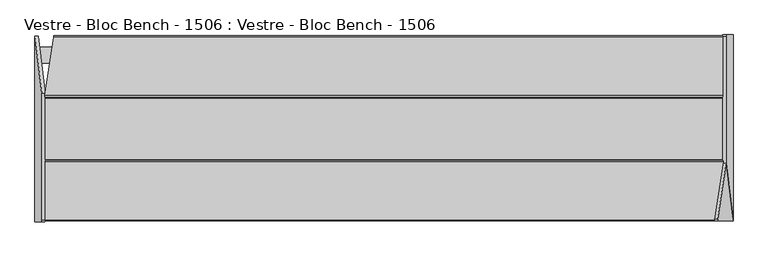
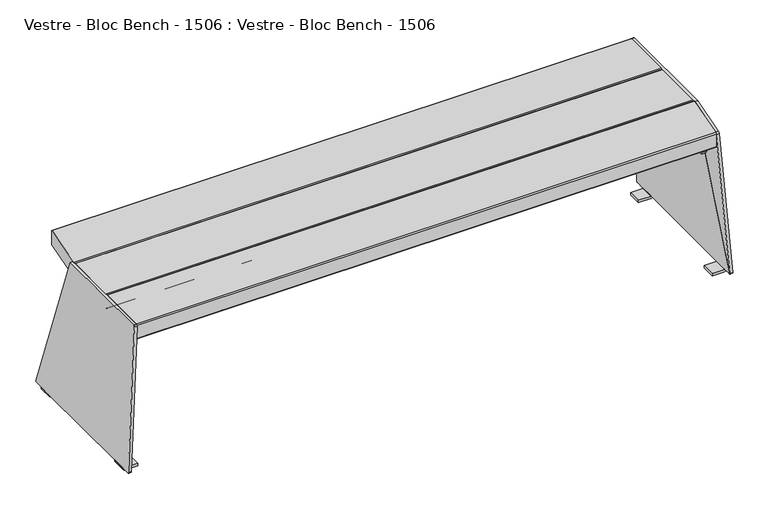
"""IFC4 building model written with IfcOpenShell, lengths in millimetres: furniture geometry, Vestre - Bloc Bench - 1506 : Vestre - Bloc Bench - 1506."""

from ifc_helpers import new_model, si_unit, point, frame, frame_2d, origin, place, context, project, spatial, polyline, circle_curve, ellipse_curve, trimmed, segment, composite_curve, outline, extrude, source, transform, mapped, element, save
from ifc_brep_helpers import plane_surface, cylinder_surface, revolved_surface, advanced_brep


def vestre_bloc_bench_1506_vestre_bloc_bench_1506_0468d53b(model_context):
    return source(origin(), model_context, "Body", "SolidModel", [
        advanced_brep(
        [(-853.4300581, -80.7081953, 454.9270585), (-853.4300581, -80.7081953, 416.2659543), (-853.4300581, -83.7350939, 413.2390557), (-853.4300581, -230.4780573, 413.2390557), (-853.4300581, -233.5, 416.2609984), (-853.4300581, -233.5, 454.9270585), (-853.4300581, -230.5, 457.9270585), (-853.4300581, -83.7081953, 457.9270585), (853.8291619, -83.7081953, 457.9270585), (854.2775149, -80.7081953, 454.9270585), (831.8909797, -230.5, 457.9270585), (831.4426267, -233.5, 454.9270585), (831.4426267, -233.5, 416.2609984), (831.894259, -230.4780573, 413.2390557), (853.8251419, -83.7350939, 413.2390557), (854.2775149, -80.7081953, 416.2659543)],
        [
            (0, 1),
            (1, 2, circle_curve(frame((-853.4300581, -83.7350939, 416.2659543), z_axis=(-1.0, 0.0, 0.0), x_axis=(0.0, -1.0, 0.0)), 3.0268986)),
            (2, 3),
            (3, 4, circle_curve(frame((-853.4300581, -230.4780573, 416.2609984), z_axis=(-1.0, 0.0, 0.0), x_axis=(0.0, -1.0, 0.0)), 3.0219427)),
            (4, 5),
            (5, 6, circle_curve(frame((-853.4300581, -230.5, 454.9270585), z_axis=(-1.0, 0.0, 0.0), x_axis=(0.0, -1.0, 0.0)), 3.0)),
            (6, 7),
            (7, 0, circle_curve(frame((-853.4300581, -83.7081953, 454.9270585), z_axis=(-1.0, 0.0, 0.0), x_axis=(0.0, -1.0, 0.0)), 3.0)),
            (7, 8),
            (8, 9, ellipse_curve(frame((853.8291619, -83.7081953, 454.9270585), z_axis=(-0.9890158633619175, 0.14780941112960652, 0.0), x_axis=(0.14780941112960624, 0.9890158633619175, 0.0)), 3.0333184, 3.0)),
            (9, 0),
            (6, 10),
            (10, 8),
            (5, 11),
            (11, 10, ellipse_curve(frame((831.8909797, -230.5, 454.9270585), z_axis=(-0.9890158633619175, 0.14780941112960652, 0.0), x_axis=(0.14780941112960624, 0.9890158633619175, 0.0)), 3.0333184, 3.0)),
            (4, 12),
            (12, 11),
            (3, 13),
            (13, 12, ellipse_curve(frame((831.894259, -230.4780573, 416.2609984), z_axis=(-0.9890158633619175, 0.14780941112960652, 0.0), x_axis=(0.14780941112960624, 0.9890158633619175, 0.0)), 3.0555048, 3.0219427)),
            (2, 14),
            (14, 13),
            (1, 15),
            (15, 14, ellipse_curve(frame((853.8251419, -83.7350939, 416.2659543), z_axis=(-0.9890158633619175, 0.14780941112960652, 0.0), x_axis=(0.14780941112960624, 0.9890158633619175, 0.0)), 3.0605157, 3.0268986)),
            (9, 15),
        ],
        [
            plane_surface(frame((-853.4300581, -86.7081953, 454.9270585), z_axis=(-1.0, 0.0, 0.0), x_axis=(0.0, 0.0, 1.0))),
            cylinder_surface(frame((-853.4300581, -83.7081953, 454.9270585), z_axis=(1.0, 0.0, 0.0), x_axis=(0.0, -1.0, 0.0)), 3.0),
            plane_surface(frame((878.9375895, -83.7081953, 457.9270585), z_axis=(0.0, 0.0, 1.0), x_axis=(-1.0, 0.0, 0.0))),
            cylinder_surface(frame((-853.4300581, -230.5, 454.9270585), z_axis=(1.0, 0.0, 0.0), x_axis=(0.0, -1.0, 0.0)), 3.0),
            plane_surface(frame((878.9375895, -233.5, 454.9270585), z_axis=(0.0, -1.0, 0.0), x_axis=(-1.0, 0.0, 0.0))),
            cylinder_surface(frame((-853.4300581, -230.4780573, 416.2609984), z_axis=(1.0, 0.0, 0.0), x_axis=(0.0, -1.0, 0.0)), 3.0219427),
            plane_surface(frame((878.9375895, -230.4780573, 413.2390557), z_axis=(0.0, 0.0, -1.0), x_axis=(-1.0, 0.0, 0.0))),
            cylinder_surface(frame((-853.4300581, -83.7350939, 416.2659543), z_axis=(1.0, 0.0, 0.0), x_axis=(0.0, -1.0, 0.0)), 3.0268986),
            plane_surface(frame((878.9375895, -80.7081953, 416.2659543), z_axis=(0.0, 1.0, 0.0), x_axis=(-1.0, 0.0, 0.0))),
            plane_surface(frame((855.8994453, -69.8556054, 514.4914175), z_axis=(0.9890158633619175, -0.14780941112960652, 0.0), x_axis=(0.0, 0.0, -1.0))),
        ],
        [
            (0, [[1, 2, 3, 4, 5, 6, 7, 8]]),
            (1, [[-8, 9, 10, 11]]),
            (2, [[-7, 12, 13, -9]]),
            (3, [[-6, 14, 15, -12]]),
            (4, [[-5, 16, 17, -14]]),
            (5, [[-4, 18, 19, -16]]),
            (6, [[-3, 20, 21, -18]]),
            (7, [[-2, 22, 23, -20]]),
            (8, [[-1, -11, 24, -22]]),
            (9, [[-10, -13, -15, -17, -19, -21, -23, -24]]),
        ],
    ),
        advanced_brep(
        [(853.4300581, 79.2297192, 455.2390557), (853.4300581, 79.2297192, 416.2659543), (853.4300581, 82.2566178, 413.2390557), (853.4300581, 230.4780573, 413.2390557), (853.4300581, 233.5, 416.2609984), (853.4300581, 233.5, 455.2390557), (853.4300581, 230.5, 458.2390557), (853.4300581, 82.2297192, 458.2390557), (-854.1569185, 82.2297192, 458.2390557), (-854.6052715, 79.2297192, 455.2390557), (-831.9977765, 230.5, 458.2390557), (-831.5494235, 233.5, 455.2390557), (-831.5494235, 233.5, 416.2609984), (-832.0010559, 230.4780573, 413.2390557), (-854.1528984, 82.2566178, 413.2390557), (-854.6052715, 79.2297192, 416.2659543)],
        [
            (0, 1),
            (1, 2, circle_curve(frame((853.4300581, 82.2566178, 416.2659543), z_axis=(1.0, 0.0, 0.0), x_axis=(0.0, 1.0, 0.0)), 3.0268986)),
            (2, 3),
            (3, 4, circle_curve(frame((853.4300581, 230.4780573, 416.2609984), z_axis=(1.0, 0.0, 0.0), x_axis=(0.0, 1.0, 0.0)), 3.0219427)),
            (4, 5),
            (5, 6, circle_curve(frame((853.4300581, 230.5, 455.2390557), z_axis=(1.0, 0.0, 0.0), x_axis=(0.0, 1.0, 0.0)), 3.0)),
            (6, 7),
            (7, 0, circle_curve(frame((853.4300581, 82.2297192, 455.2390557), z_axis=(1.0, 0.0, 0.0), x_axis=(0.0, 1.0, 0.0)), 3.0)),
            (7, 8),
            (8, 9, ellipse_curve(frame((-854.1569185, 82.2297192, 455.2390557), z_axis=(0.9890158633619175, -0.14780941112960624, 0.0), x_axis=(0.1478094111296065, 0.9890158633619175, 0.0)), 3.0333184, 3.0)),
            (9, 0),
            (6, 10),
            (10, 8),
            (5, 11),
            (11, 10, ellipse_curve(frame((-831.9977765, 230.5, 455.2390557), z_axis=(0.9890158633619175, -0.14780941112960624, 0.0), x_axis=(0.1478094111296065, 0.9890158633619175, 0.0)), 3.0333184, 3.0)),
            (4, 12),
            (12, 11),
            (3, 13),
            (13, 12, ellipse_curve(frame((-832.0010559, 230.4780573, 416.2609984), z_axis=(0.9890158633619175, -0.14780941112960624, 0.0), x_axis=(0.1478094111296065, 0.9890158633619175, 0.0)), 3.0555048, 3.0219427)),
            (2, 14),
            (14, 13),
            (1, 15),
            (15, 14, ellipse_curve(frame((-854.1528984, 82.2566178, 416.2659543), z_axis=(0.9890158633619175, -0.14780941112960624, 0.0), x_axis=(0.1478094111296065, 0.9890158633619175, 0.0)), 3.0605157, 3.0268986)),
            (9, 15),
        ],
        [
            plane_surface(frame((853.4300581, 79.2297192, 416.2390557), z_axis=(1.0, 0.0, 0.0), x_axis=(0.0, 0.0, -1.0))),
            cylinder_surface(frame((-878.9375895, 82.2297192, 455.2390557), z_axis=(1.0, 0.0, 0.0), x_axis=(0.0, 1.0, 0.0)), 3.0),
            plane_surface(frame((853.4300581, 230.5, 458.2390557), z_axis=(0.0, 0.0, 1.0), x_axis=(-1.0, 0.0, 0.0))),
            cylinder_surface(frame((-878.9375895, 230.5, 455.2390557), z_axis=(1.0, 0.0, 0.0), x_axis=(0.0, 1.0, 0.0)), 3.0),
            plane_surface(frame((853.4300581, 233.5, 416.2609984), z_axis=(0.0, 1.0, 0.0), x_axis=(-1.0, 0.0, 0.0))),
            cylinder_surface(frame((-878.9375895, 230.4780573, 416.2609984), z_axis=(1.0, 0.0, 0.0), x_axis=(0.0, 1.0, 0.0)), 3.0219427),
            plane_surface(frame((853.4300581, 82.2566178, 413.2390557), z_axis=(0.0, 0.0, -1.0), x_axis=(-1.0, 0.0, 0.0))),
            cylinder_surface(frame((-878.9375895, 82.2566178, 416.2659543), z_axis=(1.0, 0.0, 0.0), x_axis=(0.0, 1.0, 0.0)), 3.0268986),
            plane_surface(frame((853.4300581, 79.2297192, 455.2390557), z_axis=(0.0, -1.0, 0.0), x_axis=(-1.0, 0.0, 0.0))),
            plane_surface(frame((-855.1332712, 75.6967907, 514.4914175), z_axis=(-0.9890158633619175, 0.14780941112960624, 0.0), x_axis=(0.0, 0.0, -1.0))),
        ],
        [
            (0, [[1, 2, 3, 4, 5, 6, 7, 8]]),
            (1, [[-8, 9, 10, 11]]),
            (2, [[-7, 12, 13, -9]]),
            (3, [[-6, 14, 15, -12]]),
            (4, [[-5, 16, 17, -14]]),
            (5, [[-4, 18, 19, -16]]),
            (6, [[-3, 20, 21, -18]]),
            (7, [[-2, 22, 23, -20]]),
            (8, [[-1, -11, 24, -22]]),
            (9, [[-10, -13, -15, -17, -19, -21, -23, -24]]),
        ],
    ),
        advanced_brep(
        [(878.9375895, -232.029755, 9.5095868), (861.4239718, -86.7606719, 458.2390557), (853.4300581, -86.7606719, 457.9270585), (870.9436757, -232.029755, 9.1975895), (870.9436757, -205.3189256, 9.1975895), (878.9375895, -205.3189256, 9.5095868), (870.9436757, 232.029755, 9.1975895), (878.9375895, 232.029755, 9.5095868), (878.9375895, 205.3189256, 9.5095868), (870.9436757, 205.3189256, 9.1975895), (878.9375895, 165.3189256, 9.5095868), (878.9375895, -165.3189256, 9.5095868), (870.9436757, -165.3189256, 9.1975895), (870.9436757, 165.3189256, 9.1975895), (878.7815909, 236.029755, 13.5065437), (870.7876771, 236.029755, 13.1945464), (861.5799705, 236.029755, 454.2420988), (853.5860567, 236.029755, 453.9301016), (861.4239718, 232.029755, 458.2390557), (853.4300581, 232.029755, 457.9270585), (878.9375895, 205.3189256, 7.9956698), (870.9419197, 205.3189256, 0.0), (835.275104, 205.3189256, 0.0), (835.275104, 205.3189256, 7.6306711), (870.2217118, 205.3189256, 7.6306711), (870.9436757, 205.3189256, 8.3526351), (870.9436757, 165.3189256, 8.3526351), (870.2217118, 165.3189256, 7.6306711), (835.275104, 165.3189256, 7.6306711), (835.275104, 165.3189256, 0.0), (870.9419197, 165.3189256, 0.0), (878.9375895, 165.3189256, 7.9956698), (870.9436757, -205.3189256, 8.3526351), (870.2217118, -205.3189256, 7.6306711), (835.275104, -205.3189256, 7.6306711), (835.275104, -205.3189256, 0.0), (870.9419197, -205.3189256, 0.0), (878.9375895, -205.3189256, 7.9956698), (878.9375895, -165.3189256, 7.9956698), (870.9419197, -165.3189256, 0.0), (835.275104, -165.3189256, 0.0), (835.275104, -165.3189256, 7.6306711), (870.2217118, -165.3189256, 7.6306711), (870.9436757, -165.3189256, 8.3526351)],
        [
            (0, 1),
            (1, 2),
            (2, 3),
            (3, 0),
            (3, 4),
            (4, 5),
            (5, 0),
            (6, 7),
            (7, 8),
            (8, 9),
            (9, 6),
            (10, 11),
            (11, 12),
            (12, 13),
            (13, 10),
            (14, 7, circle_curve(frame((878.7815909, 232.029755, 13.5065437), z_axis=(-0.9992392241287592, 0.0, -0.038999653364553986), x_axis=(-0.038999653364553986, 0.0, 0.9992392241287592)), 4.0)),
            (6, 15, circle_curve(frame((870.7876771, 232.029755, 13.1945464), z_axis=(0.9992392241287592, 0.0, 0.038999653364553986), x_axis=(-0.038999653364553986, 0.0, 0.9992392241287592)), 4.0)),
            (15, 14),
            (16, 14),
            (15, 17),
            (17, 16),
            (18, 16, circle_curve(frame((861.5799705, 232.029755, 454.2420988), z_axis=(-0.9992392241287592, 0.0, -0.038999653364553986), x_axis=(-0.038999653364553986, 0.0, 0.9992392241287592)), 4.0)),
            (17, 19, circle_curve(frame((853.5860567, 232.029755, 453.9301016), z_axis=(0.9992392241287592, 0.0, 0.038999653364553986), x_axis=(-0.038999653364553986, 0.0, 0.9992392241287592)), 4.0)),
            (19, 18),
            (1, 18),
            (19, 2),
            (8, 20),
            (20, 21, circle_curve(frame((870.9419197, 205.3189256, 7.9956698), z_axis=(0.0, 1.0, 0.0), x_axis=(-1.0, 0.0, 0.0)), 7.9956698)),
            (21, 22),
            (22, 23),
            (23, 24),
            (24, 25, circle_curve(frame((870.2217118, 205.3189256, 8.3526351), z_axis=(0.0, -1.0, 0.0), x_axis=(-1.0, 0.0, 0.0)), 0.721964)),
            (25, 9),
            (13, 26),
            (26, 27, circle_curve(frame((870.2217118, 165.3189256, 8.3526351), z_axis=(0.0, 1.0, 0.0), x_axis=(-1.0, 0.0, 0.0)), 0.721964)),
            (27, 28),
            (28, 29),
            (29, 30),
            (30, 31, circle_curve(frame((870.9419197, 165.3189256, 7.9956698), z_axis=(0.0, -1.0, 0.0), x_axis=(-1.0, 0.0, 0.0)), 7.9956698)),
            (31, 10),
            (8, 10),
            (31, 20),
            (21, 30),
            (29, 22),
            (28, 23),
            (27, 24),
            (25, 26),
            (13, 9),
            (12, 4),
            (5, 11),
            (4, 32),
            (32, 33, circle_curve(frame((870.2217118, -205.3189256, 8.3526351), z_axis=(0.0, 1.0, 0.0), x_axis=(-1.0, 0.0, 0.0)), 0.721964)),
            (33, 34),
            (34, 35),
            (35, 36),
            (36, 37, circle_curve(frame((870.9419197, -205.3189256, 7.9956698), z_axis=(0.0, -1.0, 0.0), x_axis=(-1.0, 0.0, 0.0)), 7.9956698)),
            (37, 5),
            (11, 38),
            (38, 39, circle_curve(frame((870.9419197, -165.3189256, 7.9956698), z_axis=(0.0, 1.0, 0.0), x_axis=(-1.0, 0.0, 0.0)), 7.9956698)),
            (39, 40),
            (40, 41),
            (41, 42),
            (42, 43, circle_curve(frame((870.2217118, -165.3189256, 8.3526351), z_axis=(0.0, -1.0, 0.0), x_axis=(-1.0, 0.0, 0.0)), 0.721964)),
            (43, 12),
            (37, 38),
            (35, 40),
            (39, 36),
            (34, 41),
            (33, 42),
            (43, 32),
        ],
        [
            plane_surface(frame((861.4239718, -86.7606719, 458.2390557), z_axis=(-0.012003490940999855, -0.9514560777774648, 0.30755039955355673), x_axis=(-0.9992392241287592, 0.0, -0.038999653364555555))),
            plane_surface(frame((878.9375895, -232.029755, 9.5095868), z_axis=(0.038999653364553966, 0.0, -0.9992392241287592), x_axis=(-0.9992392241287592, 0.0, -0.038999653364553966))),
            cylinder_surface(frame((870.7876771, 232.029755, 13.1945464), z_axis=(0.9992392241287592, 0.0, 0.038999653364553986), x_axis=(-0.038999653364553986, 0.0, 0.9992392241287592)), 4.0),
            plane_surface(frame((878.7815909, 236.029755, 13.5065437), z_axis=(0.0, 1.0, 0.0), x_axis=(-0.9992392241287592, 0.0, -0.038999653364553966))),
            cylinder_surface(frame((853.5860567, 232.029755, 453.9301016), z_axis=(0.9992392241287592, 0.0, 0.038999653364553986), x_axis=(-0.038999653364553986, 0.0, 0.9992392241287592)), 4.0),
            plane_surface(frame((861.4239718, 232.029755, 458.2390557), z_axis=(-0.038999653364555555, 0.0, 0.9992392241287592), x_axis=(-0.9992392241287592, 0.0, -0.038999653364555555))),
            plane_surface(frame((878.9375895, 205.3189256, 9.5095868), z_axis=(0.0, 1.0, 0.0), x_axis=(0.0, 0.0, -1.0))),
            plane_surface(frame((878.9375895, 165.3189256, 9.5095868), z_axis=(0.0, -1.0, 0.0), x_axis=(0.0, 0.0, 1.0))),
            plane_surface(frame((878.9375895, 205.3189256, 9.5095868), z_axis=(1.0, 0.0, 0.0), x_axis=(0.0, -1.0, 0.0))),
            plane_surface(frame((870.9419197, 205.3189256, 0.0), z_axis=(0.0, 0.0, -1.0), x_axis=(0.0, -1.0, 0.0))),
            plane_surface(frame((835.275104, 205.3189256, 0.0), z_axis=(-1.0, 0.0, 0.0), x_axis=(0.0, -1.0, 0.0))),
            plane_surface(frame((835.275104, 205.3189256, 7.6306711), z_axis=(0.0, 0.0, 1.0), x_axis=(0.0, -1.0, 0.0))),
            plane_surface(frame((870.9436757, 205.3189256, 8.3526351), z_axis=(-1.0, 0.0, 0.0), x_axis=(0.0, -1.0, 0.0))),
            plane_surface(frame((870.9436757, 205.3189256, 9.1975895), z_axis=(-0.9992392241287603, 0.0, -0.038999653364527695), x_axis=(0.0, -1.0, 0.0))),
            plane_surface(frame((878.8299943, 205.3189256, 12.2663645), z_axis=(0.999239224128761, 0.0, 0.038999653364509855), x_axis=(0.0, -1.0, 0.0))),
            cylinder_surface(frame((870.9419197, 165.3189256, 7.9956698), z_axis=(0.0, 1.0, 0.0), x_axis=(-1.0, 0.0, 0.0)), 7.9956698),
            revolved_surface(polyline([(869.4997478, 165.3189256, 8.3526351), (869.4997478, 205.3189256, 8.3526351)]), (870.2217118, 165.3189256, 8.3526351), (0.0, -1.0, 0.0)),
            plane_surface(frame((878.8178172, -205.3189256, 12.5783617), z_axis=(0.0, -1.0, 0.0), x_axis=(-0.038999653364509855, 0.0, 0.999239224128761))),
            plane_surface(frame((878.8178172, -165.3189256, 12.5783617), z_axis=(0.0, 1.0, 0.0), x_axis=(0.038999653364509855, 0.0, -0.999239224128761))),
            plane_surface(frame((878.9375895, -205.3189256, 7.9956698), z_axis=(1.0, 0.0, 0.0), x_axis=(0.0, 1.0, 0.0))),
            plane_surface(frame((835.275104, -205.3189256, 0.0), z_axis=(0.0, 0.0, -1.0), x_axis=(0.0, 1.0, 0.0))),
            plane_surface(frame((835.275104, -205.3189256, 7.6306711), z_axis=(-1.0, 0.0, 0.0), x_axis=(0.0, 1.0, 0.0))),
            plane_surface(frame((870.2217118, -205.3189256, 7.6306711), z_axis=(0.0, 0.0, 1.0), x_axis=(0.0, 1.0, 0.0))),
            plane_surface(frame((870.9436757, -205.3189256, 9.1975895), z_axis=(-1.0, 0.0, 0.0), x_axis=(0.0, 1.0, 0.0))),
            cylinder_surface(frame((870.9419197, -165.3189256, 7.9956698), z_axis=(0.0, -1.0, 0.0), x_axis=(-1.0, 0.0, 0.0)), 7.9956698),
            revolved_surface(polyline([(869.4997478, -165.3189256, 8.3526351), (869.4997478, -205.3189256, 8.3526351)]), (870.2217118, -165.3189256, 8.3526351), (0.0, 1.0, 0.0)),
        ],
        [
            (0, [[1, 2, 3, 4]]),
            (1, [[-4, 5, 6, 7]]),
            (1, [[8, 9, 10, 11]]),
            (1, [[12, 13, 14, 15]]),
            (2, [[16, -8, 17, 18]]),
            (3, [[19, -18, 20, 21]]),
            (4, [[22, -21, 23, 24]]),
            (5, [[25, -24, 26, -2]]),
            (6, [[27, 28, 29, 30, 31, 32, 33, -10]]),
            (7, [[34, 35, 36, 37, 38, 39, 40, -15]]),
            (8, [[-27, 41, -40, 42]]),
            (9, [[-29, 43, -38, 44]]),
            (10, [[-30, -44, -37, 45]]),
            (11, [[-31, -45, -36, 46]]),
            (12, [[-33, 47, -34, 48]]),
            (13, [[-48, -14, 49, -5, -3, -26, -23, -20, -17, -11]]),
            (14, [[-41, -9, -16, -19, -22, -25, -1, -7, 50, -12]]),
            (15, [[-28, -42, -39, -43]]),
            (16, [[-32, -46, -35, -47]]),
            (17, [[51, 52, 53, 54, 55, 56, 57, -6]]),
            (18, [[58, 59, 60, 61, 62, 63, 64, -13]]),
            (19, [[-57, 65, -58, -50]]),
            (20, [[-55, 66, -60, 67]]),
            (21, [[-54, 68, -61, -66]]),
            (22, [[-53, 69, -62, -68]]),
            (23, [[-51, -49, -64, 70]]),
            (24, [[-56, -67, -59, -65]]),
            (25, [[-52, -70, -63, -69]]),
        ],
    ),
        extrude(outline(composite_curve([segment(polyline([(0.0, 0.0), (143.8273611, 1e-07), (-1.499331, -449.2546808)]), True, "CONTINUOUS"), segment(trimmed(circle_curve(frame_2d((0.0036132, -445.5438753)), 4.0036131), [point((-1.499331, -449.2546808))], [point((-3.9999999, -445.5438753))], False, "CARTESIAN"), True, "CONTINUOUS"), segment(polyline([(-3.9999999, -445.5438753), (-4.0, -4.0)]), True, "CONTINUOUS"), segment(trimmed(circle_curve(frame_2d((1e-07, -4.0)), 4.0), [point((-4.0, -4.0))], [point((0.0, 0.0))], False, "CARTESIAN"), True, "CONTINUOUS")], self_intersect=False)), frame((832.2493081, -227.7383699, 456.4156837), z_axis=(0.9850591714533377, -0.1488405225364082, 0.08663098514246073), x_axis=(0.14858667932728772, 0.9888546404904311, 0.00940737514027887)), (0.0, 0.0, 1.0), 8.0),
        advanced_brep(
        [(803.457634, 211.5061851, 395.1864554), (803.457634, 208.0492713, 387.4220999), (803.457634, 0.0, 351.522253), (803.457634, -208.0492713, 387.4220999), (803.457634, -211.5061851, 395.1864554), (803.457634, -211.5061851, 407.2390557), (803.457634, 0.0, 407.2390557), (803.457634, 211.5061851, 407.2390557), (803.457634, -11.8592377, 366.3746227), (803.457634, -21.8592377, 366.3746227), (803.457634, 14.2571548, 390.0986559), (803.457634, 24.2571548, 390.0986559), (803.457634, 13.0401943, 377.5777405), (803.457634, -10.1221662, 377.5777405), (803.457634, 136.5858041, 385.4289802), (803.457634, 146.5858041, 385.4289802), (803.457634, -143.4141959, 385.4289802), (803.457634, -133.4141959, 385.4289802), (815.5256801, -211.5061851, 395.1864554), (815.5256801, -208.0492713, 387.4220999), (815.5256801, 0.0, 351.522253), (815.5256801, 208.0492713, 387.4220999), (815.5256801, 211.5061851, 395.1864554), (815.5256801, 211.5061851, 407.2390557), (815.5256801, 0.0, 407.2390557), (815.5256801, -211.5061851, 407.2390557), (815.5256801, -21.8592377, 366.3746227), (815.5256801, -11.8592377, 366.3746227), (815.5256801, 24.2571548, 390.0986559), (815.5256801, 14.2571548, 390.0986559), (815.5256801, -10.1221662, 377.5777405), (815.5256801, 13.0401943, 377.5777405), (815.5256801, 146.5858041, 385.4289802), (815.5256801, 136.5858041, 385.4289802), (815.5256801, -133.4141959, 385.4289802), (815.5256801, -143.4141959, 385.4289802), (763.0957082, 211.5061851, 407.2390557), (763.0957082, 211.5061851, 413.2390557), (805.4916571, 211.5061851, 413.2390557), (809.4916571, 211.5061851, 409.2390557), (813.4916571, 211.5061851, 413.2390557), (855.1742016, 211.5061851, 413.2390557), (855.1742016, 211.5061851, 407.2390557), (834.7296243, -211.5061851, 407.2390557), (834.7296243, -211.5061851, 413.2390557), (813.4916571, -211.5061851, 413.2390557), (809.4916571, -211.5061851, 409.2390557), (805.4916571, -211.5061851, 413.2390557), (763.0957082, -211.5061851, 413.2390557), (763.0957082, -211.5061851, 407.2390557), (855.1742016, -74.7083246, 413.2390557), (855.1742016, -74.7083246, 407.2390557)],
        [
            (0, 1),
            (1, 2, circle_curve(frame((803.457634, -11.7259436, 1040.277924), z_axis=(-1.0, 0.0, 0.0), x_axis=(0.0, -1.0, 0.0)), 688.8554798)),
            (2, 3, circle_curve(frame((803.457634, 11.7259436, 1040.277924), z_axis=(-1.0, 0.0, 0.0), x_axis=(0.0, 1.0, 0.0)), 688.8554798)),
            (3, 4),
            (4, 5),
            (5, 6),
            (6, 7),
            (7, 0),
            (8, 9, circle_curve(frame((803.457634, -16.8592377, 366.3746227), z_axis=(1.0, 0.0, 0.0), x_axis=(0.0, -1.0, 0.0)), 5.0)),
            (9, 8, circle_curve(frame((803.457634, -16.8592377, 366.3746227), z_axis=(1.0, 0.0, 0.0), x_axis=(0.0, -1.0, 0.0)), 5.0)),
            (10, 11, circle_curve(frame((803.457634, 19.2571548, 390.0986559), z_axis=(1.0, 0.0, 0.0), x_axis=(0.0, 1.0, 0.0)), 5.0)),
            (11, 10, circle_curve(frame((803.457634, 19.2571548, 390.0986559), z_axis=(1.0, 0.0, 0.0), x_axis=(0.0, 1.0, 0.0)), 5.0)),
            (12, 13, circle_curve(frame((803.457634, 1.459014, 377.5777405), z_axis=(1.0, 0.0, 0.0), x_axis=(0.0, -1.0, 0.0)), 11.5811802)),
            (13, 12, circle_curve(frame((803.457634, 1.459014, 377.5777405), z_axis=(1.0, 0.0, 0.0), x_axis=(0.0, -1.0, 0.0)), 11.5811802)),
            (14, 15, circle_curve(frame((803.457634, 141.5858041, 385.4289802), z_axis=(1.0, 0.0, 0.0), x_axis=(0.0, 1.0, 0.0)), 5.0)),
            (15, 14, circle_curve(frame((803.457634, 141.5858041, 385.4289802), z_axis=(1.0, 0.0, 0.0), x_axis=(0.0, 1.0, 0.0)), 5.0)),
            (16, 17, circle_curve(frame((803.457634, -138.4141959, 385.4289802), z_axis=(1.0, 0.0, 0.0), x_axis=(0.0, 1.0, 0.0)), 5.0)),
            (17, 16, circle_curve(frame((803.457634, -138.4141959, 385.4289802), z_axis=(1.0, 0.0, 0.0), x_axis=(0.0, 1.0, 0.0)), 5.0)),
            (18, 19),
            (19, 20, circle_curve(frame((815.5256801, 11.7259436, 1040.277924), z_axis=(1.0, 0.0, 0.0), x_axis=(0.0, 1.0, 0.0)), 688.8554798)),
            (20, 21, circle_curve(frame((815.5256801, -11.7259436, 1040.277924), z_axis=(1.0, 0.0, 0.0), x_axis=(0.0, -1.0, 0.0)), 688.8554798)),
            (21, 22),
            (22, 23),
            (23, 24),
            (24, 25),
            (25, 18),
            (26, 27, circle_curve(frame((815.5256801, -16.8592377, 366.3746227), z_axis=(-1.0, 0.0, 0.0), x_axis=(0.0, -1.0, 0.0)), 5.0)),
            (27, 26, circle_curve(frame((815.5256801, -16.8592377, 366.3746227), z_axis=(-1.0, 0.0, 0.0), x_axis=(0.0, -1.0, 0.0)), 5.0)),
            (28, 29, circle_curve(frame((815.5256801, 19.2571548, 390.0986559), z_axis=(-1.0, 0.0, 0.0), x_axis=(0.0, 1.0, 0.0)), 5.0)),
            (29, 28, circle_curve(frame((815.5256801, 19.2571548, 390.0986559), z_axis=(-1.0, 0.0, 0.0), x_axis=(0.0, 1.0, 0.0)), 5.0)),
            (30, 31, circle_curve(frame((815.5256801, 1.459014, 377.5777405), z_axis=(-1.0, 0.0, 0.0), x_axis=(0.0, -1.0, 0.0)), 11.5811802)),
            (31, 30, circle_curve(frame((815.5256801, 1.459014, 377.5777405), z_axis=(-1.0, 0.0, 0.0), x_axis=(0.0, -1.0, 0.0)), 11.5811802)),
            (32, 33, circle_curve(frame((815.5256801, 141.5858041, 385.4289802), z_axis=(-1.0, 0.0, 0.0), x_axis=(0.0, 1.0, 0.0)), 5.0)),
            (33, 32, circle_curve(frame((815.5256801, 141.5858041, 385.4289802), z_axis=(-1.0, 0.0, 0.0), x_axis=(0.0, 1.0, 0.0)), 5.0)),
            (34, 35, circle_curve(frame((815.5256801, -138.4141959, 385.4289802), z_axis=(-1.0, 0.0, 0.0), x_axis=(0.0, 1.0, 0.0)), 5.0)),
            (35, 34, circle_curve(frame((815.5256801, -138.4141959, 385.4289802), z_axis=(-1.0, 0.0, 0.0), x_axis=(0.0, 1.0, 0.0)), 5.0)),
            (22, 0),
            (7, 36),
            (36, 37),
            (37, 38),
            (38, 39, circle_curve(frame((805.4916571, 211.5061851, 409.2390557), z_axis=(0.0, 1.0, 0.0), x_axis=(-1.0, 0.0, 0.0)), 4.0)),
            (39, 40, circle_curve(frame((813.4916571, 211.5061851, 409.2390557), z_axis=(0.0, 1.0, 0.0), x_axis=(-1.0, 0.0, 0.0)), 4.0)),
            (40, 41),
            (41, 42),
            (42, 23),
            (4, 18),
            (25, 43),
            (43, 44),
            (44, 45),
            (45, 46, circle_curve(frame((813.4916571, -211.5061851, 409.2390557), z_axis=(0.0, -1.0, 0.0), x_axis=(-1.0, 0.0, 0.0)), 4.0)),
            (46, 47, circle_curve(frame((805.4916571, -211.5061851, 409.2390557), z_axis=(0.0, -1.0, 0.0), x_axis=(-1.0, 0.0, 0.0)), 4.0)),
            (47, 48),
            (48, 49),
            (49, 5),
            (3, 19),
            (21, 1),
            (2, 20),
            (26, 9),
            (8, 27),
            (28, 11),
            (10, 29),
            (30, 13),
            (12, 31),
            (32, 15),
            (14, 33),
            (34, 17),
            (16, 35),
            (48, 37),
            (36, 49),
            (47, 38),
            (41, 50),
            (50, 51),
            (51, 42),
            (51, 43),
            (46, 39),
            (45, 40),
            (44, 50),
        ],
        [
            plane_surface(frame((803.457634, 211.5061851, 395.1864554), z_axis=(-1.0, 0.0, 0.0), x_axis=(0.0, -0.4067366430758029, -0.9135454576425998))),
            plane_surface(frame((815.5256801, 211.5061851, 395.1864554), z_axis=(1.0, 0.0, 0.0), x_axis=(0.0, 0.4067366430758029, 0.9135454576425998))),
            plane_surface(frame((803.457634, 211.5061851, 407.2390557), z_axis=(0.0, 1.0, 0.0), x_axis=(1.0, 0.0, 0.0))),
            plane_surface(frame((803.457634, -211.5061851, 395.1864554), z_axis=(0.0, -1.0, 0.0), x_axis=(1.0, 0.0, 0.0))),
            plane_surface(frame((803.457634, -208.0492713, 387.4220999), z_axis=(0.0, -0.9135454576426094, -0.4067366430757813), x_axis=(1.0, 0.0, 0.0))),
            plane_surface(frame((803.457634, 211.5061851, 395.1864554), z_axis=(0.0, 0.9135454576425998, -0.4067366430758029), x_axis=(1.0, 0.0, 0.0))),
            cylinder_surface(frame((815.5256801, 11.7259436, 1040.277924), z_axis=(-1.0, 0.0, 0.0), x_axis=(0.0, 1.0, 0.0)), 688.8554798),
            cylinder_surface(frame((815.5256801, -11.7259436, 1040.277924), z_axis=(-1.0, 0.0, 0.0), x_axis=(0.0, -1.0, 0.0)), 688.8554798),
            revolved_surface(polyline([(803.457634, -21.8592377, 366.3746227), (815.5256801, -21.8592377, 366.3746227)]), (817.37376, -16.8592377, 366.3746227), (-1.0, 0.0, 0.0)),
            revolved_surface(polyline([(803.457634, 24.2571548, 390.0986559), (815.5256801, 24.2571548, 390.0986559)]), (0.0, 19.2571548, 390.0986559), (-1.0, 0.0, 0.0)),
            revolved_surface(polyline([(803.457634, -10.1221662, 377.5777405), (815.5256801, -10.1221662, 377.5777405)]), (0.0, 1.459014, 377.5777405), (-1.0, 0.0, 0.0)),
            revolved_surface(polyline([(803.457634, 146.5858041, 385.4289802), (815.5256801, 146.5858041, 385.4289802)]), (0.0, 141.5858041, 385.4289802), (-1.0, 0.0, 0.0)),
            revolved_surface(polyline([(803.457634, -133.4141959, 385.4289802), (815.5256801, -133.4141959, 385.4289802)]), (0.0, -138.4141959, 385.4289802), (-1.0, 0.0, 0.0)),
            plane_surface(frame((763.0957082, -211.5061851, 413.2390557), z_axis=(-1.0, 0.0, 0.0), x_axis=(0.0, 1.0, 0.0))),
            plane_surface(frame((805.4916571, -211.5061851, 413.2390557), z_axis=(0.0, 0.0, 1.0), x_axis=(0.0, 1.0, 0.0))),
            plane_surface(frame((855.1742016, -211.5061851, 407.2390557), z_axis=(1.0, 0.0, 0.0), x_axis=(0.0, 1.0, 0.0))),
            plane_surface(frame((815.5256801, -211.5061851, 407.2390557), z_axis=(0.0, 0.0, -1.0), x_axis=(0.0, 1.0, 0.0))),
            plane_surface(frame((763.0957082, -211.5061851, 407.2390557), z_axis=(0.0, 0.0, -1.0), x_axis=(0.0, 1.0, 0.0))),
            cylinder_surface(frame((805.4916571, 211.5465998, 409.2390557), z_axis=(0.0, -1.0, 0.0), x_axis=(-1.0, 0.0, 0.0)), 4.0),
            cylinder_surface(frame((813.4916571, 211.5465998, 409.2390557), z_axis=(0.0, -1.0, 0.0), x_axis=(-1.0, 0.0, 0.0)), 4.0),
            plane_surface(frame((855.1742016, -211.5061851, 413.2390557), z_axis=(0.0, 0.0, 1.0), x_axis=(0.0, 1.0, 0.0))),
            plane_surface(frame((855.8994453, -69.8556054, 514.4914175), z_axis=(0.9890158633619175, -0.14780941112960652, 0.0), x_axis=(0.0, 0.0, -1.0))),
        ],
        [
            (0, [[1, 2, 3, 4, 5, 6, 7, 8], [9, 10], [11, 12], [13, 14], [15, 16], [17, 18]]),
            (1, [[19, 20, 21, 22, 23, 24, 25, 26], [27, 28], [29, 30], [31, 32], [33, 34], [35, 36]]),
            (2, [[37, -8, 38, 39, 40, 41, 42, 43, 44, 45, -23]]),
            (3, [[46, -26, 47, 48, 49, 50, 51, 52, 53, 54, -5]]),
            (4, [[-4, 55, -19, -46]]),
            (5, [[-1, -37, -22, 56]]),
            (6, [[-3, 57, -20, -55]]),
            (7, [[-2, -56, -21, -57]]),
            (8, [[58, -9, 59, -27]]),
            (8, [[-58, -28, -59, -10]]),
            (9, [[60, -11, 61, -29]]),
            (9, [[-60, -30, -61, -12]]),
            (10, [[62, -13, 63, -31]]),
            (10, [[-62, -32, -63, -14]]),
            (11, [[64, -15, 65, -33]]),
            (11, [[-64, -34, -65, -16]]),
            (12, [[66, -17, 67, -35]]),
            (12, [[-66, -36, -67, -18]]),
            (13, [[-53, 68, -39, 69]]),
            (14, [[-52, 70, -40, -68]]),
            (15, [[-44, 71, 72, 73]]),
            (16, [[-45, -73, 74, -47, -25, -24]]),
            (17, [[-54, -69, -38, -7, -6]]),
            (18, [[-51, 75, -41, -70]]),
            (19, [[-50, 76, -42, -75]]),
            (20, [[-43, -76, -49, 77, -71]]),
            (21, [[-48, -74, -72, -77]]),
        ],
    ),
        extrude(outline(composite_curve([segment(polyline([(362.2390557, 857.1646982), (398.8480594, 857.1646982)]), True, "CONTINUOUS"), segment(trimmed(circle_curve(frame_2d((408.079257, 856.3901518)), 9.2636349), [point((398.8480594, 857.1646982))], [point((407.2390557, 847.1646982))], True, "CARTESIAN"), True, "CONTINUOUS"), segment(polyline([(407.2390557, 847.1646982), (407.2390557, 823.4731855)]), True, "CONTINUOUS"), segment(trimmed(circle_curve(frame_2d((407.2913793, 815.4733566)), 8.0), [point((407.2390557, 823.4731855))], [point((399.2915504, 815.5256801))], True, "CARTESIAN"), True, "CONTINUOUS"), segment(polyline([(399.2915504, 815.5256801), (362.2390557, 815.5256801), (362.2390557, 857.1646982)]), True, "CONTINUOUS")], self_intersect=False)), frame((0.0, 75.6967907, 0.0), z_axis=(0.0, 1.0, 0.0), x_axis=(0.0, 0.0, 1.0)), (0.0, 0.0, 1.0), 7.8068032),
        extrude(outline(composite_curve([segment(polyline([(362.2390557, 857.1646982), (398.8480594, 857.1646982)]), True, "CONTINUOUS"), segment(trimmed(circle_curve(frame_2d((408.079257, 856.3901518)), 9.2636349), [point((398.8480594, 857.1646982))], [point((407.2390557, 847.1646982))], True, "CARTESIAN"), True, "CONTINUOUS"), segment(polyline([(407.2390557, 847.1646982), (407.2390557, 823.4731855)]), True, "CONTINUOUS"), segment(trimmed(circle_curve(frame_2d((407.2913793, 815.4733566)), 8.0), [point((407.2390557, 823.4731855))], [point((399.2915504, 815.5256801))], True, "CARTESIAN"), True, "CONTINUOUS"), segment(polyline([(399.2915504, 815.5256801), (362.2390557, 815.5256801), (362.2390557, 857.1646982)]), True, "CONTINUOUS")], self_intersect=False)), frame((0.0, -82.3032093, 0.0), z_axis=(0.0, 1.0, 0.0), x_axis=(0.0, 0.0, 1.0)), (0.0, 0.0, 1.0), 7.8068032),
        extrude(outline(polyline([(19.9098473, -209.4222712), (-20.5645425, -209.4222712), (-20.5645425, 210.5774609), (19.9098473, 210.5774609), (19.9098473, -209.4222712)])), frame((0.0, 0.0, 407.2390557), z_axis=(0.0, 0.0, 1.0), x_axis=(1.0, 0.0, 0.0)), (0.0, 0.0, 1.0), 6.0),
        extrude(outline(composite_curve([segment(polyline([(79.1436951, 454.9270585), (79.1436951, 416.2659543)]), True, "CONTINUOUS"), segment(trimmed(circle_curve(frame_2d((76.1167965, 416.2659543)), 3.0268986), [point((79.1436951, 416.2659543))], [point((76.1167965, 413.2390557))], False, "CARTESIAN"), True, "CONTINUOUS"), segment(polyline([(76.1167965, 413.2390557), (-77.71544, 413.2390557)]), True, "CONTINUOUS"), segment(trimmed(circle_curve(frame_2d((-77.71544, 416.2609984)), 3.0219427), [point((-77.71544, 413.2390557))], [point((-80.7373827, 416.2609984))], False, "CARTESIAN"), True, "CONTINUOUS"), segment(polyline([(-80.7373827, 416.2609984), (-80.7373827, 454.9270585)]), True, "CONTINUOUS"), segment(trimmed(circle_curve(frame_2d((-77.7373827, 454.9270585)), 3.0), [point((-80.7373827, 454.9270585))], [point((-77.7373827, 457.9270585))], False, "CARTESIAN"), True, "CONTINUOUS"), segment(polyline([(-77.7373827, 457.9270585), (76.1436951, 457.9270585)]), True, "CONTINUOUS"), segment(trimmed(circle_curve(frame_2d((76.1436951, 454.9270585)), 3.0), [point((76.1436951, 457.9270585))], [point((79.1436951, 454.9270585))], False, "CARTESIAN"), True, "CONTINUOUS")], self_intersect=False)), frame((-853.4300581, 0.0, 0.0), z_axis=(1.0, 0.0, 0.0), x_axis=(0.0, 1.0, 0.0)), (0.0, 0.0, 1.0), 1706.8601161),
        advanced_brep(
        [(-878.9375895, -205.3189256, 9.5095868), (-878.9375895, -205.3189256, 7.9956698), (-870.9419197, -205.3189256, 0.0), (-835.275104, -205.3189256, 0.0), (-835.275104, -205.3189256, 7.6306711), (-870.2217118, -205.3189256, 7.6306711), (-870.9436757, -205.3189256, 8.3526351), (-870.9436757, -205.3189256, 9.1975895), (-870.9436757, -165.3189256, 9.1975895), (-870.9436757, -165.3189256, 8.3526351), (-870.2217118, -165.3189256, 7.6306711), (-835.275104, -165.3189256, 7.6306711), (-835.275104, -165.3189256, 0.0), (-870.9419197, -165.3189256, 0.0), (-878.9375895, -165.3189256, 7.9956698), (-878.9375895, -165.3189256, 9.5095868), (-870.9436757, 165.3189256, 9.1975895), (-870.9436757, 205.3189256, 9.1975895), (-870.9436757, 232.7405844, 9.1975895), (-853.4300581, 87.4715013, 457.9270585), (-853.4300581, -231.3189256, 457.9270585), (-853.5860567, -235.3189256, 453.9301016), (-870.7876771, -235.3189256, 13.1945464), (-870.9436757, -231.3189256, 9.1975895), (-878.9375895, -231.3189256, 9.5095868), (-878.7815909, -235.3189256, 13.5065437), (-861.5799705, -235.3189256, 454.2420988), (-861.4239718, -231.3189256, 458.2390557), (-861.4239718, 87.4715013, 458.2390557), (-878.9375895, 232.7405844, 9.5095868), (-878.9375895, 205.3189256, 9.5095868), (-878.9375895, 165.3189256, 9.5095868), (-870.9436757, 205.3189256, 8.3526351), (-870.2217118, 205.3189256, 7.6306711), (-835.275104, 205.3189256, 7.6306711), (-835.275104, 205.3189256, 0.0), (-870.9419197, 205.3189256, 0.0), (-878.9375895, 205.3189256, 7.9956698), (-878.9375895, 165.3189256, 7.9956698), (-870.9419197, 165.3189256, 0.0), (-835.275104, 165.3189256, 0.0), (-835.275104, 165.3189256, 7.6306711), (-870.2217118, 165.3189256, 7.6306711), (-870.9436757, 165.3189256, 8.3526351)],
        [
            (0, 1),
            (1, 2, circle_curve(frame((-870.9419197, -205.3189256, 7.9956698), z_axis=(0.0, -1.0, 0.0), x_axis=(1.0, 0.0, 0.0)), 7.9956698)),
            (2, 3),
            (3, 4),
            (4, 5),
            (5, 6, circle_curve(frame((-870.2217118, -205.3189256, 8.3526351), z_axis=(0.0, 1.0, 0.0), x_axis=(1.0, 0.0, 0.0)), 0.721964)),
            (6, 7),
            (7, 0),
            (8, 9),
            (9, 10, circle_curve(frame((-870.2217118, -165.3189256, 8.3526351), z_axis=(0.0, -1.0, 0.0), x_axis=(1.0, 0.0, 0.0)), 0.721964)),
            (10, 11),
            (11, 12),
            (12, 13),
            (13, 14, circle_curve(frame((-870.9419197, -165.3189256, 7.9956698), z_axis=(0.0, 1.0, 0.0), x_axis=(1.0, 0.0, 0.0)), 7.9956698)),
            (14, 15),
            (15, 8),
            (0, 15),
            (14, 1),
            (2, 13),
            (12, 3),
            (11, 4),
            (10, 5),
            (6, 9),
            (8, 7),
            (8, 16),
            (16, 17),
            (17, 18),
            (18, 19),
            (19, 20),
            (20, 21, circle_curve(frame((-853.5860567, -231.3189256, 453.9301016), z_axis=(0.9992392241287592, 0.0, -0.038999653364553986), x_axis=(0.038999653364553986, 0.0, 0.9992392241287592)), 4.0)),
            (21, 22),
            (22, 23, circle_curve(frame((-870.7876771, -231.3189256, 13.1945464), z_axis=(0.9992392241287592, 0.0, -0.038999653364553986), x_axis=(0.038999653364553986, 0.0, 0.9992392241287592)), 4.0)),
            (23, 7),
            (0, 24),
            (24, 25, circle_curve(frame((-878.7815909, -231.3189256, 13.5065437), z_axis=(-0.9992392241287592, 0.0, 0.038999653364553986), x_axis=(0.038999653364553986, 0.0, 0.9992392241287592)), 4.0)),
            (25, 26),
            (26, 27, circle_curve(frame((-861.5799705, -231.3189256, 454.2420988), z_axis=(-0.9992392241287592, 0.0, 0.038999653364553986), x_axis=(0.038999653364553986, 0.0, 0.9992392241287592)), 4.0)),
            (27, 28),
            (28, 29),
            (29, 30),
            (30, 31),
            (31, 15),
            (28, 19),
            (18, 29),
            (31, 16),
            (17, 30),
            (23, 24),
            (22, 25),
            (21, 26),
            (20, 27),
            (17, 32),
            (32, 33, circle_curve(frame((-870.2217118, 205.3189256, 8.3526351), z_axis=(0.0, -1.0, 0.0), x_axis=(1.0, 0.0, 0.0)), 0.721964)),
            (33, 34),
            (34, 35),
            (35, 36),
            (36, 37, circle_curve(frame((-870.9419197, 205.3189256, 7.9956698), z_axis=(0.0, 1.0, 0.0), x_axis=(1.0, 0.0, 0.0)), 7.9956698)),
            (37, 30),
            (31, 38),
            (38, 39, circle_curve(frame((-870.9419197, 165.3189256, 7.9956698), z_axis=(0.0, -1.0, 0.0), x_axis=(1.0, 0.0, 0.0)), 7.9956698)),
            (39, 40),
            (40, 41),
            (41, 42),
            (42, 43, circle_curve(frame((-870.2217118, 165.3189256, 8.3526351), z_axis=(0.0, 1.0, 0.0), x_axis=(1.0, 0.0, 0.0)), 0.721964)),
            (43, 16),
            (37, 38),
            (35, 40),
            (39, 36),
            (34, 41),
            (33, 42),
            (43, 32),
        ],
        [
            plane_surface(frame((-878.9375895, -205.3189256, 9.5095868), z_axis=(0.0, -1.0, 0.0), x_axis=(0.0, 0.0, -1.0))),
            plane_surface(frame((-878.9375895, -165.3189256, 9.5095868), z_axis=(0.0, 1.0, 0.0), x_axis=(0.0, 0.0, 1.0))),
            plane_surface(frame((-878.9375895, -205.3189256, 9.5095868), z_axis=(-1.0, 0.0, 0.0), x_axis=(0.0, 1.0, 0.0))),
            plane_surface(frame((-870.9419197, -205.3189256, 0.0), z_axis=(0.0, 0.0, -1.0), x_axis=(0.0, 1.0, 0.0))),
            plane_surface(frame((-835.275104, -205.3189256, 0.0), z_axis=(1.0, 0.0, 0.0), x_axis=(0.0, 1.0, 0.0))),
            plane_surface(frame((-835.275104, -205.3189256, 7.6306711), z_axis=(0.0, 0.0, 1.0), x_axis=(0.0, 1.0, 0.0))),
            plane_surface(frame((-870.9436757, -205.3189256, 8.3526351), z_axis=(1.0, 0.0, 0.0), x_axis=(0.0, 1.0, 0.0))),
            plane_surface(frame((-870.9436757, -205.3189256, 9.1975895), z_axis=(0.9992392241287601, 0.0, -0.03899965336453338), x_axis=(0.0, 1.0, 0.0))),
            plane_surface(frame((-878.8299943, -205.3189256, 12.2663645), z_axis=(-0.999239224128761, 0.0, 0.038999653364509855), x_axis=(0.0, 1.0, 0.0))),
            plane_surface(frame((-861.4239718, 87.4715013, 458.2390557), z_axis=(0.012003490940997851, 0.9514560777774648, 0.30755039955355695), x_axis=(0.9992392241287592, 0.0, -0.038999653364555555))),
            plane_surface(frame((-878.9375895, 232.7405844, 9.5095868), z_axis=(-0.038999653364553966, 0.0, -0.9992392241287592), x_axis=(0.9992392241287592, 0.0, -0.038999653364553966))),
            cylinder_surface(frame((-870.7876771, -231.3189256, 13.1945464), z_axis=(-0.9992392241287592, 0.0, 0.038999653364553986), x_axis=(0.038999653364553986, 0.0, 0.9992392241287592)), 4.0),
            plane_surface(frame((-878.7815909, -235.3189256, 13.5065437), z_axis=(0.0, -1.0, 0.0), x_axis=(0.9992392241287592, 0.0, -0.038999653364553966))),
            cylinder_surface(frame((-853.5860567, -231.3189256, 453.9301016), z_axis=(-0.9992392241287592, 0.0, 0.038999653364553986), x_axis=(0.038999653364553986, 0.0, 0.9992392241287592)), 4.0),
            plane_surface(frame((-861.4239718, -231.3189256, 458.2390557), z_axis=(0.038999653364555555, 0.0, 0.9992392241287592), x_axis=(0.9992392241287592, 0.0, -0.038999653364555555))),
            cylinder_surface(frame((-870.9419197, -165.3189256, 7.9956698), z_axis=(0.0, -1.0, 0.0), x_axis=(1.0, 0.0, 0.0)), 7.9956698),
            revolved_surface(polyline([(-869.4997478, -165.3189256, 8.3526351), (-869.4997478, -205.3189256, 8.3526351)]), (-870.2217118, -165.3189256, 8.3526351), (0.0, 1.0, 0.0)),
            plane_surface(frame((-878.8178172, 205.3189256, 12.5783617), z_axis=(0.0, 1.0, 0.0), x_axis=(0.038999653364509855, 0.0, 0.999239224128761))),
            plane_surface(frame((-878.8178172, 165.3189256, 12.5783617), z_axis=(0.0, -1.0, 0.0), x_axis=(-0.038999653364509855, 0.0, -0.999239224128761))),
            plane_surface(frame((-878.9375895, 205.3189256, 7.9956698), z_axis=(-1.0, 0.0, 0.0), x_axis=(0.0, -1.0, 0.0))),
            plane_surface(frame((-835.275104, 205.3189256, 0.0), z_axis=(0.0, 0.0, -1.0), x_axis=(0.0, -1.0, 0.0))),
            plane_surface(frame((-835.275104, 205.3189256, 7.6306711), z_axis=(1.0, 0.0, 0.0), x_axis=(0.0, -1.0, 0.0))),
            plane_surface(frame((-870.2217118, 205.3189256, 7.6306711), z_axis=(0.0, 0.0, 1.0), x_axis=(0.0, -1.0, 0.0))),
            plane_surface(frame((-870.9436757, 205.3189256, 9.1975895), z_axis=(1.0, 0.0, 0.0), x_axis=(0.0, -1.0, 0.0))),
            cylinder_surface(frame((-870.9419197, 165.3189256, 7.9956698), z_axis=(0.0, 1.0, 0.0), x_axis=(1.0, 0.0, 0.0)), 7.9956698),
            revolved_surface(polyline([(-869.4997478, 165.3189256, 8.3526351), (-869.4997478, 205.3189256, 8.3526351)]), (-870.2217118, 165.3189256, 8.3526351), (0.0, -1.0, 0.0)),
        ],
        [
            (0, [[1, 2, 3, 4, 5, 6, 7, 8]]),
            (1, [[9, 10, 11, 12, 13, 14, 15, 16]]),
            (2, [[-1, 17, -15, 18]]),
            (3, [[-3, 19, -13, 20]]),
            (4, [[-4, -20, -12, 21]]),
            (5, [[-5, -21, -11, 22]]),
            (6, [[-7, 23, -9, 24]]),
            (7, [[-24, 25, 26, 27, 28, 29, 30, 31, 32, 33]]),
            (8, [[-17, 34, 35, 36, 37, 38, 39, 40, 41, 42]]),
            (9, [[-39, 43, -28, 44]]),
            (10, [[-42, 45, -25, -16]]),
            (10, [[-44, -27, 46, -40]]),
            (10, [[47, -34, -8, -33]]),
            (11, [[-35, -47, -32, 48]]),
            (12, [[-36, -48, -31, 49]]),
            (13, [[-37, -49, -30, 50]]),
            (14, [[-38, -50, -29, -43]]),
            (15, [[-2, -18, -14, -19]]),
            (16, [[-6, -22, -10, -23]]),
            (17, [[51, 52, 53, 54, 55, 56, 57, -46]]),
            (18, [[58, 59, 60, 61, 62, 63, 64, -45]]),
            (19, [[-57, 65, -58, -41]]),
            (20, [[-55, 66, -60, 67]]),
            (21, [[-54, 68, -61, -66]]),
            (22, [[-53, 69, -62, -68]]),
            (23, [[-51, -26, -64, 70]]),
            (24, [[-56, -67, -59, -65]]),
            (25, [[-52, -70, -63, -69]]),
        ],
    ),
        extrude(outline(polyline([(99.7540432, 367.2390557), (97.7540445, 369.2390557), (97.7540445, 405.2390557), (99.7540432, 407.2390557), (117.5681068, 407.2390557), (119.5681055, 405.2390557), (119.5681055, 369.2390557), (117.5681068, 367.2390557), (99.7540432, 367.2390557)])), frame((-803.457634, 0.0, 0.0), z_axis=(1.0, 0.0, 0.0), x_axis=(0.0, 1.0, 0.0)), (0.0, 0.0, 1.0), 1605.9989754),
        extrude(outline(polyline([(-98.4927076, 367.2390557), (-116.3067712, 367.2390557), (-118.3067699, 369.2390557), (-118.3067699, 405.2390557), (-116.3067712, 407.2390557), (-98.4927076, 407.2390557), (-96.4927089, 405.2390557), (-96.4927089, 369.2390557), (-98.4927076, 367.2390557)])), frame((-803.457634, 0.0, 0.0), z_axis=(1.0, 0.0, 0.0), x_axis=(0.0, 1.0, 0.0)), (0.0, 0.0, 1.0), 1605.9989754),
        extrude(outline(composite_curve([segment(polyline([(362.2390557, -857.1646982), (362.2390557, -815.5256801), (399.2915504, -815.5256801)]), True, "CONTINUOUS"), segment(trimmed(circle_curve(frame_2d((407.2913793, -815.4733566)), 8.0), [point((399.2915504, -815.5256801))], [point((407.2390557, -823.4731855))], True, "CARTESIAN"), True, "CONTINUOUS"), segment(polyline([(407.2390557, -823.4731855), (407.2390557, -847.1646982)]), True, "CONTINUOUS"), segment(trimmed(circle_curve(frame_2d((408.079257, -856.3901518)), 9.2636349), [point((407.2390557, -847.1646982))], [point((398.8480594, -857.1646982))], True, "CARTESIAN"), True, "CONTINUOUS"), segment(polyline([(398.8480594, -857.1646982), (362.2390557, -857.1646982)]), True, "CONTINUOUS")], self_intersect=False)), frame((0.0, 75.6967907, 0.0), z_axis=(0.0, 1.0, 0.0), x_axis=(0.0, 0.0, 1.0)), (0.0, 0.0, 1.0), 7.8068032),
        extrude(outline(composite_curve([segment(polyline([(362.2390557, -857.1646982), (362.2390557, -815.5256801), (399.2915504, -815.5256801)]), True, "CONTINUOUS"), segment(trimmed(circle_curve(frame_2d((407.2913793, -815.4733566)), 8.0), [point((399.2915504, -815.5256801))], [point((407.2390557, -823.4731855))], True, "CARTESIAN"), True, "CONTINUOUS"), segment(polyline([(407.2390557, -823.4731855), (407.2390557, -847.1646982)]), True, "CONTINUOUS"), segment(trimmed(circle_curve(frame_2d((408.079257, -856.3901518)), 9.2636349), [point((407.2390557, -847.1646982))], [point((398.8480594, -857.1646982))], True, "CARTESIAN"), True, "CONTINUOUS"), segment(polyline([(398.8480594, -857.1646982), (362.2390557, -857.1646982)]), True, "CONTINUOUS")], self_intersect=False)), frame((0.0, -82.3032093, 0.0), z_axis=(0.0, 1.0, 0.0), x_axis=(0.0, 0.0, 1.0)), (0.0, 0.0, 1.0), 7.8068032),
    ])


if __name__ == "__main__":
    model = new_model("IFC4")
    model_context = context("Model", 3, world=origin())
    ifc_project = project(units=[si_unit("LENGTHUNIT", "METRE", prefix="MILLI")], contexts=[model_context])
    site = spatial("IfcSite", under=ifc_project)
    building = spatial("IfcBuilding", under=site)
    placement = place(None, origin())
    vestre_bloc_bench_1506_vestre_bloc_bench_1506_shape = vestre_bloc_bench_1506_vestre_bloc_bench_1506_0468d53b(model_context)
    element("IfcFurniture", 1, ObjectType="Vestre - Bloc Bench - 1506 : Vestre - Bloc Bench - 1506", at=placement, inside=building, context=model_context, shape_type="MappedRepresentation", body=[
        mapped(vestre_bloc_bench_1506_vestre_bloc_bench_1506_shape, transform((0.0, 0.0, 0.0), x_axis=(1.0, 0.0, 0.0), y_axis=(0.0, 1.0, 0.0), z_axis=(0.0, 0.0, 1.0))),
    ])
    save(model, "model.ifc")
